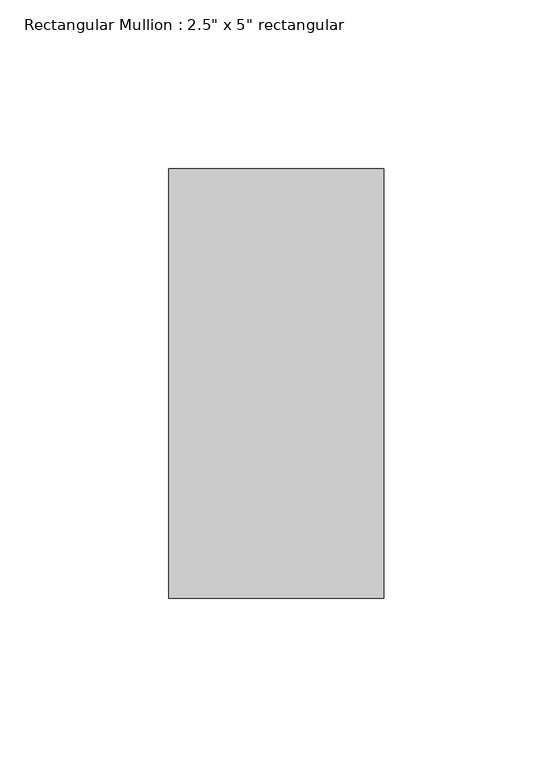
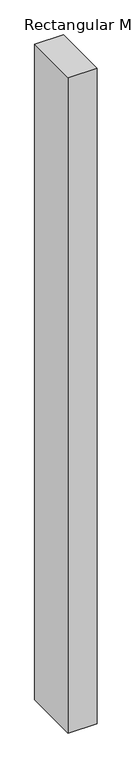
"""IFC4 building model written with IfcOpenShell, lengths in millimetres: member geometry."""

from ifc_helpers import new_model, si_unit, frame, origin, place, context, project, spatial, polyline, outline, extrude, source, transform, mapped, element, save


def member_4491d118(model_context):
    return source(origin(), model_context, "Body", "SweptSolid", [
        extrude(outline(polyline([(0.0, 63.5), (0.0, -63.5), (-63.5, -63.5), (-63.5, 63.5), (0.0, 63.5)])), frame((0.0, 0.0, -1524.0), z_axis=(0.0, 0.0, 1.0), x_axis=(1.0, 0.0, 0.0)), (0.0, 0.0, 1.0), 1524.0),
    ])


if __name__ == "__main__":
    model = new_model("IFC4")
    model_context = context("Model", 3, world=origin())
    ifc_project = project(units=[si_unit("LENGTHUNIT", "METRE", prefix="MILLI")], contexts=[model_context])
    site = spatial("IfcSite", under=ifc_project)
    building = spatial("IfcBuilding", under=site)
    placement = place(None, origin())
    member_shape = member_4491d118(model_context)
    element("IfcMember", 1, ObjectType="Rectangular Mullion : 2.5\" x 5\" rectangular", at=placement, inside=building, context=model_context, shape_type="MappedRepresentation", body=[
        mapped(member_shape, transform((0.0, 0.0, 0.0), x_axis=(1.0, 0.0, 0.0), y_axis=(0.0, 1.0, 0.0), z_axis=(0.0, 0.0, 1.0))),
    ])
    save(model, "model.ifc")
